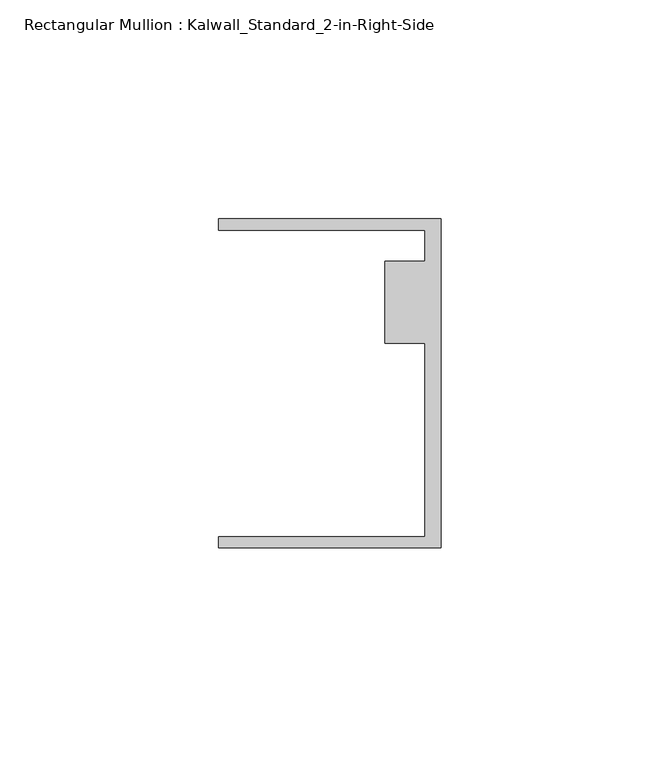
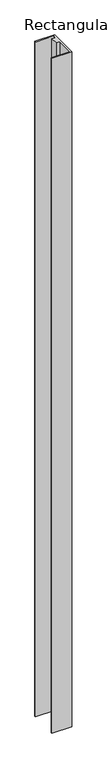
"""IFC4 building model written with IfcOpenShell, lengths in millimetres: member geometry, Rectangular Mullion : Kalwall_Standard_2-in-Right-Side."""

from ifc_helpers import new_model, si_unit, frame, origin, place, context, project, spatial, polyline, outline, extrude, source, transform, mapped, element, save


def rectangular_mullion_kalwall_standard_2_in_right_side_1bd502a2(model_context):
    return source(origin(), model_context, "Body", "SweptSolid", [
        extrude(outline(polyline([(0.0, 37.5776386), (0.0, -37.5023614), (-50.8, -37.5023614), (-50.8, -34.9623614), (-3.7084, -34.9623614), (-3.7084, 9.1879886), (-12.8272539, 9.1879886), (-12.8272539, 27.8888568), (-3.7084, 27.8888568), (-3.7084, 35.0376386), (-50.8, 35.0376386), (-50.8, 37.5776386), (0.0, 37.5776386)])), frame((0.0, 0.0, -1827.425), z_axis=(0.0, 0.0, 1.0), x_axis=(1.0, 0.0, 0.0)), (0.0, 0.0, 1.0), 1827.425),
    ])


if __name__ == "__main__":
    model = new_model("IFC4")
    model_context = context("Model", 3, world=origin())
    ifc_project = project(units=[si_unit("LENGTHUNIT", "METRE", prefix="MILLI")], contexts=[model_context])
    site = spatial("IfcSite", under=ifc_project)
    building = spatial("IfcBuilding", under=site)
    placement = place(None, origin())
    rectangular_mullion_kalwall_standard_2_in_right_side_shape = rectangular_mullion_kalwall_standard_2_in_right_side_1bd502a2(model_context)
    element("IfcMember", 1, ObjectType="Rectangular Mullion : Kalwall_Standard_2-in-Right-Side", at=placement, inside=building, context=model_context, shape_type="MappedRepresentation", body=[
        mapped(rectangular_mullion_kalwall_standard_2_in_right_side_shape, transform((0.0, 0.0, 0.0), x_axis=(1.0, 0.0, 0.0), y_axis=(0.0, 1.0, 0.0), z_axis=(0.0, 0.0, 1.0))),
    ])
    save(model, "model.ifc")
